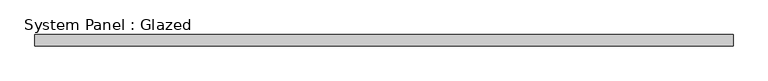
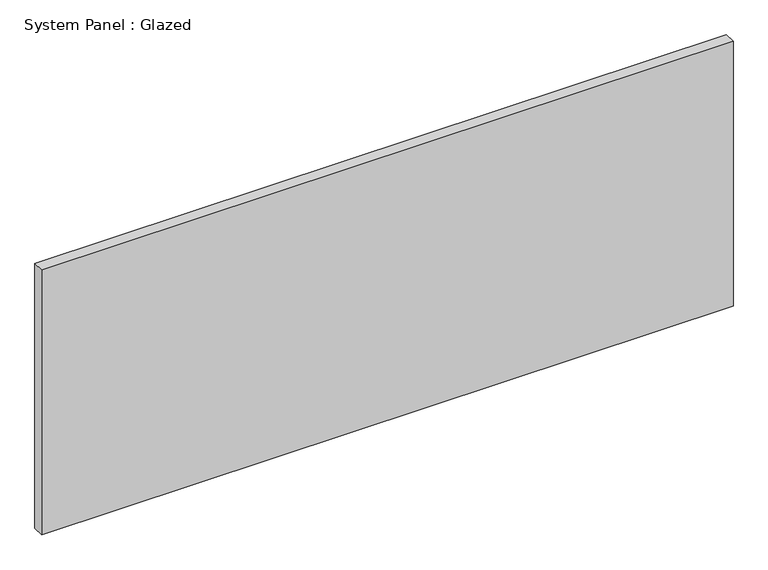
"""IFC4 building model written with IfcOpenShell, lengths in millimetres: plate geometry, System Panel : Glazed."""

from ifc_helpers import new_model, si_unit, origin, origin_with_axes, place, context, project, spatial, polyline, outline, extrude, source, transform, mapped, element, save


def system_panel_glazed_bd26c80b(model_context):
    return source(origin(), model_context, "Body", "SweptSolid", [
        extrude(outline(polyline([(768.35, 19.05), (-768.35, 19.05), (-768.35, 44.45), (768.35, 44.45), (768.35, 19.05)])), origin_with_axes(), (0.0, 0.0, 1.0), 622.3),
    ])


if __name__ == "__main__":
    model = new_model("IFC4")
    model_context = context("Model", 3, world=origin())
    ifc_project = project(units=[si_unit("LENGTHUNIT", "METRE", prefix="MILLI")], contexts=[model_context])
    site = spatial("IfcSite", under=ifc_project)
    building = spatial("IfcBuilding", under=site)
    placement = place(None, origin())
    system_panel_glazed_shape = system_panel_glazed_bd26c80b(model_context)
    element("IfcPlate", 1, ObjectType="System Panel : Glazed", at=placement, inside=building, context=model_context, shape_type="MappedRepresentation", body=[
        mapped(system_panel_glazed_shape, transform((0.0, 0.0, 0.0), x_axis=(1.0, 0.0, 0.0), y_axis=(0.0, 1.0, 0.0), z_axis=(0.0, 0.0, 1.0))),
    ])
    save(model, "model.ifc")
